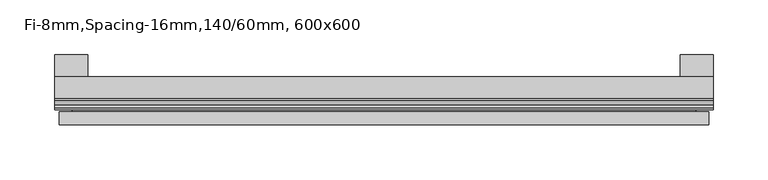
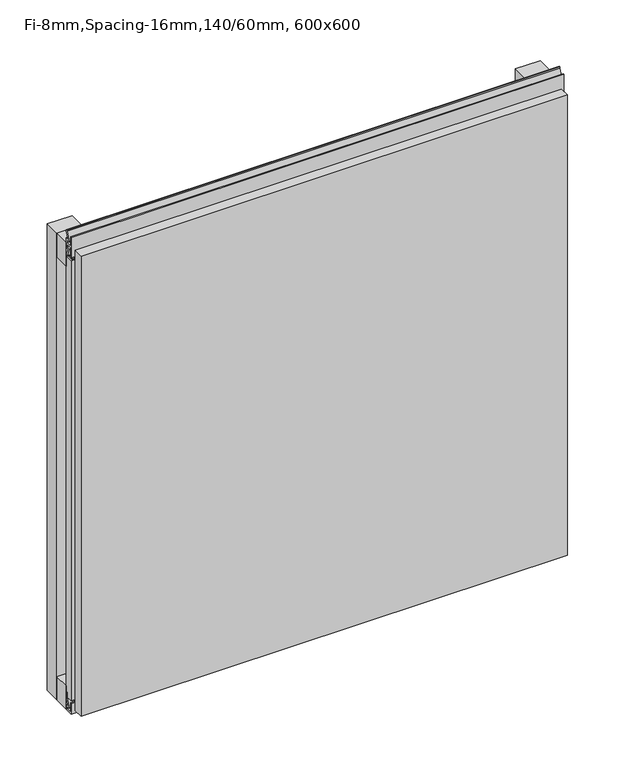
"""IFC4 building model written with IfcOpenShell, lengths in millimetres: plate geometry, Fi-8mm,Spacing-16mm,140/60mm, 600x600."""

from ifc_helpers import new_model, si_unit, frame, origin, origin_with_axes, place, context, project, spatial, polyline, outline, extrude, faceted_brep, source, transform, mapped, element, save


def fi_8mm_spacing_16mm_140_60mm_600x600_9d876df5(model_context):
    return source(origin(), model_context, "Body", "SolidModel", [
        extrude(outline(polyline([(-300.0, -40.0), (-300.0, -20.0), (300.0, -20.0), (300.0, -40.0), (-300.0, -40.0)])), frame((0.0, 0.0, 570.0), z_axis=(0.0, 0.0, 1.0), x_axis=(1.0, 0.0, 0.0)), (0.0, 0.0, 1.0), 30.0),
        extrude(outline(polyline([(-300.0, -40.0), (-300.0, -20.0), (300.0, -20.0), (300.0, -40.0), (-300.0, -40.0)])), origin_with_axes(), (0.0, 0.0, 1.0), 30.0),
        extrude(outline(polyline([(270.0, 0.0), (300.0, 0.0), (300.0, -20.0), (270.0, -20.0), (270.0, 0.0)])), origin_with_axes(), (0.0, 0.0, 1.0), 600.0),
        extrude(outline(polyline([(-270.0, 0.0), (-270.0, -20.0), (-300.0, -20.0), (-300.0, 0.0), (-270.0, 0.0)])), origin_with_axes(), (0.0, 0.0, 1.0), 600.0),
        extrude(outline(polyline([(-40.0, 6.299084), (-40.0, 0.0), (-50.1, 0.0), (-50.1, 13.4156807), (-48.7, 13.4156807), (-48.7, 1.4156807), (-41.4, 1.4156807), (-41.4, 4.899084), (-45.5140545, 4.899084), (-41.4553267, 15.5703394), (-41.4553267, 22.991548), (-40.0553267, 22.991548), (-40.0553267, 15.3558599), (-43.5, 6.299084), (-40.0, 6.299084)])), frame((-300.0, 0.0, 0.0), z_axis=(1.0, 0.0, 0.0), x_axis=(0.0, 1.0, 0.0)), (0.0, 0.0, 1.0), 600.0),
        extrude(outline(polyline([(-293.700916, -40.0), (-293.700916, -43.5), (-284.6441401, -40.0553267), (-277.008452, -40.0553267), (-277.008452, -41.4553267), (-284.4296606, -41.4553267), (-295.100916, -45.5140545), (-295.100916, -41.4), (-298.5843193, -41.4), (-298.5843193, -48.7), (-286.5843193, -48.7), (-286.5843193, -50.1), (-300.0, -50.1), (-300.0, -40.0), (-293.700916, -40.0)])), frame((0.0, 0.0, 16.9558599), z_axis=(0.0, 0.0, 1.0), x_axis=(1.0, 0.0, 0.0)), (0.0, 0.0, 1.0), 566.0882802),
        extrude(outline(polyline([(-48.7, 600.899084), (-41.4, 600.899084), (-41.4, 604.899084), (-45.5140545, 604.899084), (-41.4553267, 615.5703394), (-41.4553267, 616.9558599), (-40.0553267, 616.9558599), (-40.0553267, 615.3558599), (-43.5, 606.299084), (-40.0, 606.299084), (-40.0, 593.700916), (-43.5, 593.700916), (-40.0553267, 584.6441401), (-40.0553267, 583.0441401), (-41.4553267, 583.0441401), (-41.4553267, 584.4296606), (-45.5140545, 595.100916), (-41.4, 595.100916), (-41.4, 599.100916), (-48.7, 599.100916), (-48.7, 587.100916), (-50.1, 587.100916), (-50.1, 612.899084), (-48.7, 612.899084), (-48.7, 600.899084)])), frame((-300.0, 0.0, 0.0), z_axis=(1.0, 0.0, 0.0), x_axis=(0.0, 1.0, 0.0)), (0.0, 0.0, 1.0), 600.0),
        faceted_brep([(296.0, -45.9, 596.0), (-296.0, -45.9, 596.0), (-296.0, -48.7, 596.0), (296.0, -48.7, 596.0), (-296.0, -63.9, 596.0), (296.0, -63.9, 596.0), (296.0, -51.9, 596.0), (-296.0, -51.9, 596.0), (-296.0, -45.9, 4.0), (296.0, -45.9, 4.0), (296.0, -48.7, 4.0), (-296.0, -48.7, 4.0), (296.0, -63.9, 4.0), (-296.0, -63.9, 4.0), (-296.0, -51.9, 4.0), (296.0, -51.9, 4.0), (284.0, -51.9, 584.0), (284.0, -51.9, 16.0), (284.0, -48.7, 16.0), (284.0, -48.7, 584.0), (-284.0, -51.9, 16.0), (-284.0, -48.7, 16.0), (-284.0, -51.9, 584.0), (-284.0, -48.7, 584.0)], [[[0, 1, 2, 3]], [[4, 5, 6, 7]], [[8, 9, 10, 11]], [[12, 13, 14, 15]], [[1, 0, 9, 8]], [[1, 8, 11, 2]], [[13, 4, 7, 14]], [[5, 4, 13, 12]], [[9, 0, 3, 10]], [[5, 12, 15, 6]], [[16, 17, 18, 19]], [[18, 17, 20, 21]], [[21, 20, 22, 23]], [[16, 19, 23, 22]], [[7, 6, 15, 14], [17, 16, 22, 20]], [[3, 2, 11, 10], [19, 18, 21, 23]]]),
    ])


if __name__ == "__main__":
    model = new_model("IFC4")
    model_context = context("Model", 3, world=origin())
    ifc_project = project(units=[si_unit("LENGTHUNIT", "METRE", prefix="MILLI")], contexts=[model_context])
    site = spatial("IfcSite", under=ifc_project)
    building = spatial("IfcBuilding", under=site)
    placement = place(None, origin())
    fi_8mm_spacing_16mm_140_60mm_600x600_shape = fi_8mm_spacing_16mm_140_60mm_600x600_9d876df5(model_context)
    element("IfcPlate", 1, ObjectType="Fi-8mm,Spacing-16mm,140/60mm, 600x600", at=placement, inside=building, context=model_context, shape_type="MappedRepresentation", body=[
        mapped(fi_8mm_spacing_16mm_140_60mm_600x600_shape, transform((0.0, 0.0, 0.0), x_axis=(1.0, 0.0, 0.0), y_axis=(0.0, 1.0, 0.0), z_axis=(0.0, 0.0, 1.0))),
    ])
    save(model, "model.ifc")
